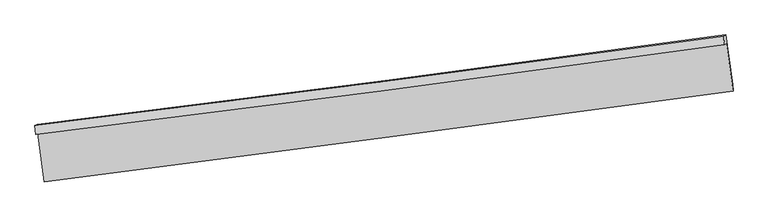
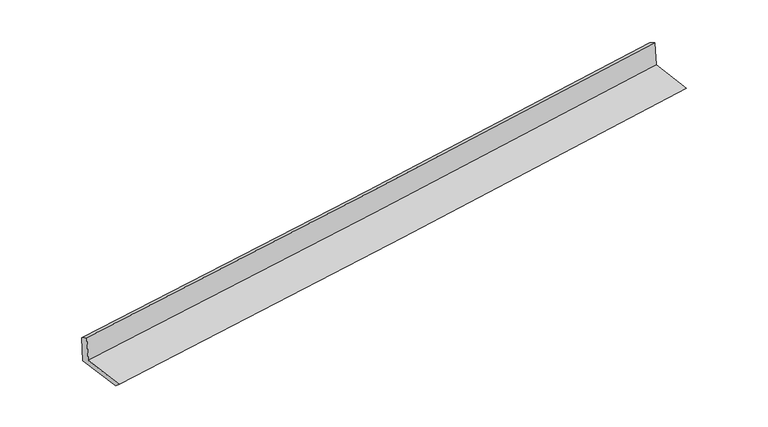
"""IFC4 building model written with IfcOpenShell, lengths in millimetres: proxy geometry."""

from ifc_helpers import new_model, si_unit, frame, origin, place, context, project, spatial, source, transform, mapped, element, save
from ifc_brep_helpers import plane_surface, spline_curve, spline_surface, advanced_brep


def generic_models_b13fcc04(model_context):
    return source(origin(), model_context, "Body", "AdvancedBrep", [
        advanced_brep(
        [(-4778.5400901, -2106.3529015, 1895.0331928), (-4749.3689151, -2090.6004758, 1507.2261952), (4698.6759745, -860.0736623, 2257.8628283), (4669.8795369, -875.6237299, 2640.6879966), (-4788.6202008, -1985.9199005, 1819.5430407), (4659.7994262, -755.1907289, 2565.1978445), (-4759.5665084, -1970.2309155, 1433.2978789), (4688.4783812, -739.704102, 2183.9345119), (-4663.7271098, -2671.2471071, 1412.0322555), (4782.286873, -1425.8652491, 2163.1195226), (-4658.0646792, -2758.4442716, 1486.9668706), (4787.9493037, -1513.0624137, 2238.0541377)],
        [
            (0, 1),
            (1, 2, spline_curve(3, [(-4749.3689151, -2090.6004758, 1507.2261952), (-3171.752683352, -1897.801763618, 1628.707857584), (-1595.097867768, -1698.788025833, 1752.043481582), (1554.247940134, -1288.596331295, 2002.260491927), (3126.94142066, -1077.434464409, 2129.137079724), (4698.6759745, -860.0736623, 2257.8628283)], [4, 2, 4], [0.0, 15.688392392997745, 31.35646363350687])),
            (2, 3),
            (3, 0, spline_curve(3, [(4669.8795369, -875.6237299, 2640.6879966), (3098.207317959, -1092.950871247, 2511.133555902), (1525.513837433, -1304.112738033, 2384.256968627), (-1623.956721114, -1714.371797752, 2135.698416277), (-3200.736449523, -1913.452988728, 2014.023402506), (-4778.5400901, -2106.3529015, 1895.0331928)], [4, 2, 4], [0.0, 15.668071240509125, 31.35646363350687])),
            (4, 0),
            (3, 5),
            (5, 4, spline_curve(3, [(4659.7994262, -755.1907289, 2565.1978445), (3088.127207031, -972.517870399, 2435.643403715), (1515.433726405, -1183.679736734, 2308.76681625), (-1634.036831486, -1593.938797051, 2060.208264454), (-3210.816560061, -1793.019987294, 1938.533250805), (-4788.6202008, -1985.9199005, 1819.5430407)], [4, 2, 4], [0.0, 15.668082999121994, 31.35648716598328])),
            (6, 4),
            (5, 7),
            (7, 6, spline_curve(3, [(4688.4783812, -739.704102, 2183.9345119), (3116.74382736, -957.064904109, 2055.208763324), (1544.050346834, -1168.226770895, 1928.332175527), (-1605.295461068, -1578.418465433, 1678.115165182), (-3181.950276652, -1777.432203318, 1554.779541284), (-4759.5665084, -1970.2309155, 1433.2978789)], [4, 2, 4], [0.0, 15.668071240509128, 31.356463633506877])),
            (8, 6),
            (7, 9),
            (9, 8, spline_curve(3, [(4782.286873, -1425.8652491, 2163.1195226), (3210.214491805, -1640.755020084, 2034.468734022), (1637.521011231, -1851.916886462, 1907.592146424), (-1511.148703911, -2267.053848941, 1657.225118663), (-3087.126550946, -2471.019268444, 1533.739283783), (-4663.7271098, -2671.2471071, 1412.0322555)], [4, 2, 4], [0.0, 15.66797369806092, 31.356268422099994])),
            (10, 8),
            (9, 11),
            (11, 10, spline_curve(3, [(4787.9493037, -1513.0624137, 2238.0541377), (3215.876922508, -1727.952184668, 2109.403349113), (1643.183441964, -1939.114051283, 1982.526761178), (-1505.486273244, -2354.251013319, 1732.159733909), (-3081.464120283, -2558.216432813, 1608.673898923), (-4658.0646792, -2758.4442716, 1486.9668706)], [4, 2, 4], [0.0, 15.667914864627488, 31.35615067892743])),
            (1, 10),
            (11, 2),
        ],
        [
            spline_surface(3, 3, [[(-4778.5400901, -2106.3529015, 1895.0331928), (-3200.736449396, -1913.452988477, 2014.023402708), (-1623.956720939, -1714.371797908, 2135.698416454), (1525.513837257, -1304.112737876, 2384.256968451), (3098.207317755, -1092.950871251, 2511.133555993), (4669.8795369, -875.6237299, 2640.6879966)], [(-4768.816365072, -2101.102092957, 1765.764193599), (-3191.075194106, -1908.235913573, 1885.584887753), (-1614.337103145, -1709.17720724, 2007.813438086), (1535.091871487, -1298.94060232, 2256.924809674), (3107.785351985, -1087.778735694, 2383.801397216), (4679.478349437, -870.440374064, 2513.079607161)], [(-4759.092640128, -2095.851284343, 1636.495194401), (-3181.413938899, -1903.018838599, 1757.1463728), (-1604.717485363, -1703.982616581, 1879.928459736), (1544.669905705, -1293.768466772, 2129.592650917), (3117.363386203, -1082.606600047, 2256.469238459), (4689.077161963, -865.257018136, 2385.471217739)], [(-4749.3689151, -2090.6004758, 1507.2261952), (-3171.752683609, -1897.801763695, 1628.707857845), (-1595.097867569, -1698.788025912, 1752.043481368), (1554.247939935, -1288.596331215, 2002.260492141), (3126.941420433, -1077.43446449, 2129.137079683), (4698.6759745, -860.0736623, 2257.8628283)]], [4, 4], [4, 2, 4], [0.0, 1.2605744859508026], [0.0, 15.688392392997745, 31.35646363350687]),
            spline_surface(3, 3, [[(-4788.6202008, -1985.9199005, 1819.5430407), (-3210.816560096, -1793.019987477, 1938.533250608), (-1634.036831639, -1593.938796908, 2060.208264354), (1515.433726557, -1183.679736876, 2308.766816351), (3088.127207055, -972.517870251, 2435.643403893), (4659.7994262, -755.1907289, 2565.1978445)], [(-4785.260163899, -2026.064234142, 1844.706424742), (-3207.456523195, -1833.164321119, 1963.696634651), (-1630.676794738, -1634.08313055, 2085.371648396), (1518.793763459, -1223.824070518, 2333.930200393), (3091.487243956, -1012.662203893, 2460.806787935), (4663.159463101, -795.335062542, 2590.361228542)], [(-4781.900127001, -2066.208567858, 1869.869808758), (-3204.096486297, -1873.308654835, 1988.860018666), (-1627.31675784, -1674.227464266, 2110.535032411), (1522.153800356, -1263.968404234, 2359.093584408), (3094.847280854, -1052.806537609, 2485.97017195), (4666.519499999, -835.479396258, 2615.524612558)], [(-4778.5400901, -2106.3529015, 1895.0331928), (-3200.736449396, -1913.452988477, 2014.023402708), (-1623.956720939, -1714.371797908, 2135.698416454), (1525.513837257, -1304.112737876, 2384.256968451), (3098.207317755, -1092.950871251, 2511.133555993), (4669.8795369, -875.6237299, 2640.6879966)]], [4, 4], [4, 2, 4], [0.0, 0.46749930208440926], [0.0, 15.688404166861284, 31.35648716598328]),
            spline_surface(3, 3, [[(-4759.5665084, -1970.2309155, 1433.2978789), (-3181.950276909, -1777.432203395, 1554.779541545), (-1605.295460869, -1578.418465512, 1678.115164968), (1544.050346635, -1168.226770815, 1928.332175741), (3116.743827133, -957.06490419, 2055.208763283), (4688.4783812, -739.704102, 2183.9345119)], [(-4769.251072552, -1975.460577182, 1562.046266174), (-3191.572371324, -1782.628131438, 1682.697444573), (-1614.875917787, -1583.59190932, 1805.479531408), (1534.511473281, -1173.377759511, 2055.143722589), (3107.204953779, -962.215892886, 2182.020310131), (4678.918729539, -744.866310975, 2311.022289412)], [(-4778.935636648, -1980.690238818, 1690.794653426), (-3201.194465681, -1787.824059434, 1810.61534758), (-1624.456374721, -1588.765353101, 1932.843897913), (1524.972599911, -1178.528748181, 2181.955269502), (3097.666080409, -967.366881555, 2308.831857044), (4669.359077861, -750.028519925, 2438.110066988)], [(-4788.6202008, -1985.9199005, 1819.5430407), (-3210.816560096, -1793.019987477, 1938.533250608), (-1634.036831639, -1593.938796908, 2060.208264354), (1515.433726557, -1183.679736876, 2308.766816351), (3088.127207055, -972.517870251, 2435.643403893), (4659.7994262, -755.1907289, 2565.1978445)]], [4, 4], [4, 2, 4], [0.0, 1.2554316630527993], [0.0, 15.688392392997748, 31.356463633506877]),
            spline_surface(3, 3, [[(-4663.7271098, -2671.2471071, 1412.0322555), (-3087.126551055, -2471.019268237, 1533.739283855), (-1511.148704069, -2267.053848844, 1657.225118763), (1637.521011389, -1851.916886558, 1907.592146324), (3210.214491987, -1640.755019933, 2034.468733766), (4782.286873, -1425.8652491, 2163.1195226)], [(-4695.673575983, -2437.575043246, 1419.120796621), (-3118.734459655, -2239.823579968, 1540.752703072), (-1542.530956362, -2037.508721073, 1664.188467528), (1606.364123111, -1624.020181318, 1914.505489493), (3179.057603709, -1412.858314692, 2041.382076935), (4751.01737574, -1197.14486674, 2170.057852363)], [(-4727.620042217, -2203.902979354, 1426.209337779), (-3150.342368308, -2008.627891663, 1547.766122328), (-1573.913208576, -1807.963593282, 1671.151816203), (1575.207234913, -1396.123476056, 1921.418832572), (3147.90071541, -1184.961609431, 2048.295420114), (4719.74787846, -968.42448436, 2176.996182137)], [(-4759.5665084, -1970.2309155, 1433.2978789), (-3181.950276909, -1777.432203395, 1554.779541545), (-1605.295460869, -1578.418465512, 1678.115164968), (1544.050346635, -1168.226770815, 1928.332175741), (3116.743827133, -957.06490419, 2055.208763283), (4688.4783812, -739.704102, 2183.9345119)]], [4, 4], [4, 2, 4], [0.0, 2.2731678626621985], [0.0, 15.688294724039075, 31.356268422099994]),
            spline_surface(3, 3, [[(-4658.0646792, -2758.4442716, 1486.9668706), (-3081.464120455, -2558.216432737, 1608.673898955), (-1505.486273369, -2354.251013444, 1732.159733763), (1643.183442089, -1939.114051158, 1982.526761324), (3215.876922687, -1727.952184533, 2109.403348866), (4787.9493037, -1513.0624137, 2238.0541377)], [(-4659.952156089, -2729.378550071, 1461.988665589), (-3083.351597344, -2529.150711208, 1583.695693944), (-1507.373750258, -2325.185291915, 1707.181528752), (1641.2959652, -1910.04832963, 1957.548556313), (3213.989445797, -1698.886463004, 2084.425143855), (4786.061826811, -1483.996692171, 2213.075932689)], [(-4661.839632911, -2700.312828629, 1437.010460511), (-3085.239074165, -2500.084989766, 1558.717488866), (-1509.261227179, -2296.119570372, 1682.203323774), (1639.408488279, -1880.982608087, 1932.570351336), (3212.101968876, -1669.820741462, 2059.446938778), (4784.174349889, -1454.930970629, 2188.097727611)], [(-4663.7271098, -2671.2471071, 1412.0322555), (-3087.126551055, -2471.019268237, 1533.739283855), (-1511.148704069, -2267.053848844, 1657.225118763), (1637.521011389, -1851.916886558, 1907.592146324), (3210.214491987, -1640.755019933, 2034.468733766), (4782.286873, -1425.8652491, 2163.1195226)]], [4, 4], [4, 2, 4], [0.0, 0.3776616567033702], [0.0, 15.688235814299944, 31.35615067892743]),
            spline_surface(3, 3, [[(-4749.3689151, -2090.6004758, 1507.2261952), (-3171.752683609, -1897.801763695, 1628.707857845), (-1595.097867569, -1698.788025912, 1752.043481368), (1554.247939935, -1288.596331215, 2002.260492141), (3126.941420433, -1077.43446449, 2129.137079683), (4698.6759745, -860.0736623, 2257.8628283)], [(-4718.934169805, -2313.215074402, 1500.473086976), (-3141.656495895, -2117.939986711, 1622.029871524), (-1565.227336163, -1917.27568843, 1745.415565499), (1583.893107325, -1505.435571204, 1995.682581868), (3156.586587823, -1294.273704478, 2122.55916941), (4728.433750872, -1077.736579407, 2251.259931433)], [(-4688.499424495, -2535.829672998, 1493.719978824), (-3111.560308168, -2338.07820972, 1615.351885276), (-1535.356804775, -2135.763350926, 1738.787649632), (1613.538274699, -1722.27481117, 1989.104671597), (3186.231755296, -1511.112944544, 2115.981259139), (4758.191527328, -1295.399496593, 2244.657034567)], [(-4658.0646792, -2758.4442716, 1486.9668706), (-3081.464120455, -2558.216432737, 1608.673898955), (-1505.486273369, -2354.251013444, 1732.159733763), (1643.183442089, -1939.114051158, 1982.526761324), (3215.876922687, -1727.952184533, 2109.403348866), (4787.9493037, -1513.0624137, 2238.0541377)]], [4, 4], [4, 2, 4], [0.0, 2.1632725477796835], [0.0, 15.688294724039073, 31.35626842209999]),
            plane_surface(frame((4714.5115826, -1028.2533143, 2341.4761403), z_axis=(0.9879531345873764, 0.13265015124016946, 0.07970283078371429), x_axis=(-0.1353937846146247, 0.9903362989471696, 0.03004227147455526))),
            plane_surface(frame((-4732.9812506, -2263.799262, 1592.3499056), z_axis=(-0.987953134587337, -0.13265015124045804, -0.07970283078372296), x_axis=(-0.074947494599258, -0.04047162417771857, 0.9963658568466263))),
        ],
        [
            (0, [[1, 2, 3, 4]]),
            (1, [[5, -4, 6, 7]]),
            (2, [[8, -7, 9, 10]]),
            (3, [[11, -10, 12, 13]]),
            (4, [[14, -13, 15, 16]]),
            (5, [[17, -16, 18, -2]]),
            (6, [[-12, -9, -6, -3, -18, -15]]),
            (7, [[-1, -5, -8, -11, -14, -17]]),
        ],
    ),
    ])


if __name__ == "__main__":
    model = new_model("IFC4")
    model_context = context("Model", 3, world=origin())
    ifc_project = project(units=[si_unit("LENGTHUNIT", "METRE", prefix="MILLI")], contexts=[model_context])
    site = spatial("IfcSite", under=ifc_project)
    building = spatial("IfcBuilding", under=site)
    placement = place(None, origin())
    generic_models_shape = generic_models_b13fcc04(model_context)
    element("IfcBuildingElementProxy", 1, Name="Generic Models", at=placement, inside=building, context=model_context, shape_type="MappedRepresentation", body=[
        mapped(generic_models_shape, transform((0.0, 0.0, 0.0), x_axis=(1.0, 0.0, 0.0), y_axis=(0.0, 1.0, 0.0), z_axis=(0.0, 0.0, 1.0))),
    ])
    save(model, "model.ifc")
